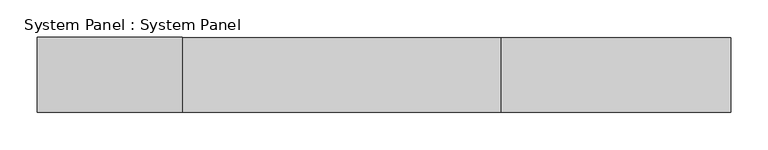
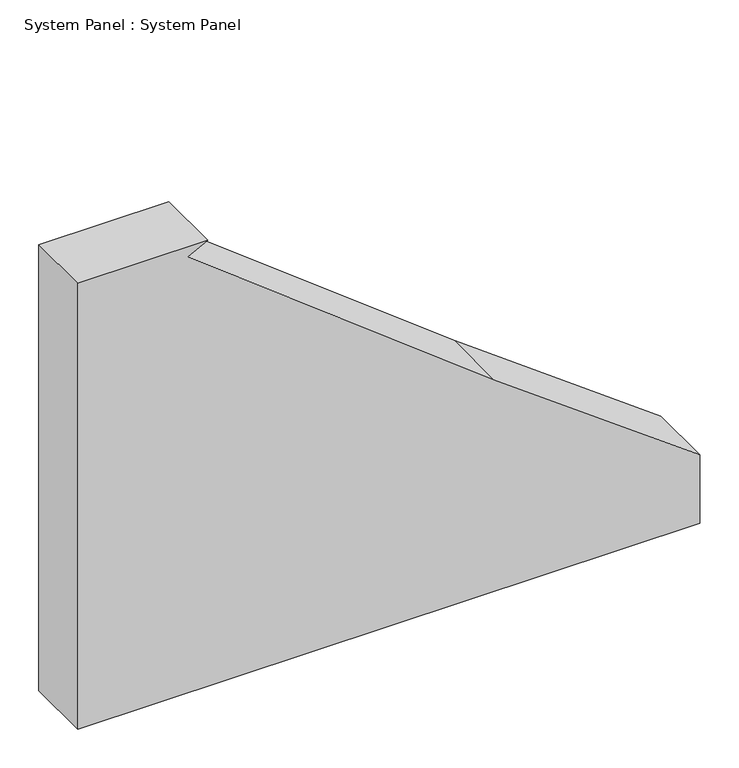
"""IFC4 building model written with IfcOpenShell, lengths in millimetres: plate geometry, System Panel : System Panel."""

from ifc_helpers import new_model, si_unit, point, frame, frame_2d, origin, place, context, project, spatial, polyline, circle_curve, trimmed, segment, composite_curve, outline, extrude, source, transform, mapped, element, save


def system_panel_system_panel_cb0a71cd(model_context):
    return source(origin(), model_context, "Body", "SweptSolid", [
        extrude(outline(composite_curve([segment(polyline([(0.0, 462.5), (107.6936159, 462.5)]), True, "CONTINUOUS"), segment(trimmed(circle_curve(frame_2d((3610.2388382, 2804.4443343)), 4213.3746925), [point((107.6936159, 462.5))], [point((332.9215013, 156.4795739))], True, "CARTESIAN"), True, "CONTINUOUS"), segment(trimmed(circle_curve(frame_2d((-10416.7523756, -8528.903831)), 13819.9628564), [point((332.9215013, 156.4795739))], [point((685.5264817, -299.0327795))], False, "CARTESIAN"), True, "CONTINUOUS"), segment(polyline([(685.5264817, -299.0327795), (700.694024, -269.2574786), (700.694024, -462.5), (0.0, -462.5), (0.0, 462.5)]), True, "CONTINUOUS")], self_intersect=False)), frame((0.0, -50.0, 0.0), z_axis=(0.0, 1.0, 0.0), x_axis=(0.0, 0.0, 1.0)), (0.0, 0.0, 1.0), 100.0),
    ])


if __name__ == "__main__":
    model = new_model("IFC4")
    model_context = context("Model", 3, world=origin())
    ifc_project = project(units=[si_unit("LENGTHUNIT", "METRE", prefix="MILLI")], contexts=[model_context])
    site = spatial("IfcSite", under=ifc_project)
    building = spatial("IfcBuilding", under=site)
    placement = place(None, origin())
    system_panel_system_panel_shape = system_panel_system_panel_cb0a71cd(model_context)
    element("IfcPlate", 1, ObjectType="System Panel : System Panel", at=placement, inside=building, context=model_context, shape_type="MappedRepresentation", body=[
        mapped(system_panel_system_panel_shape, transform((0.0, 0.0, 0.0), x_axis=(1.0, 0.0, 0.0), y_axis=(0.0, 1.0, 0.0), z_axis=(0.0, 0.0, 1.0))),
    ])
    save(model, "model.ifc")
